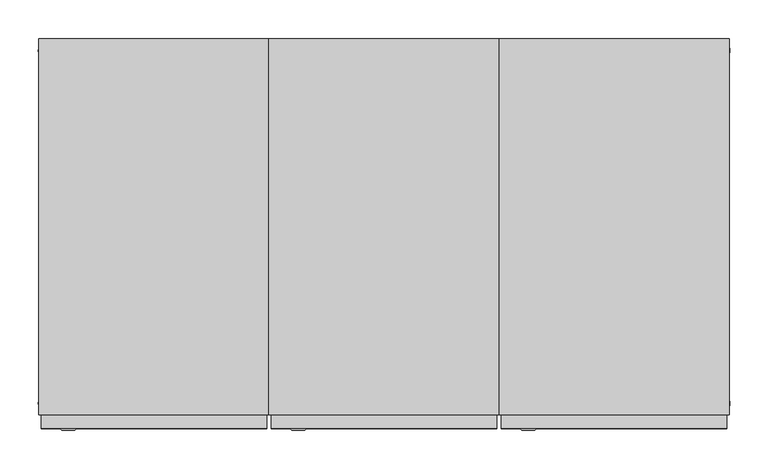
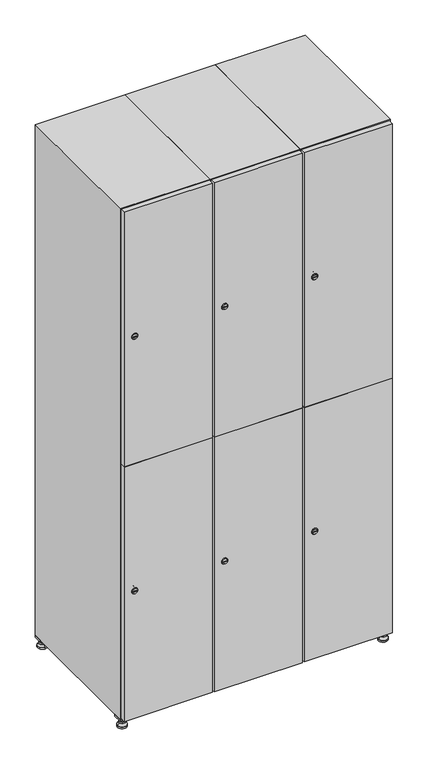
"""IFC4 building model written with IfcOpenShell, lengths in millimetres: furniture geometry."""

from ifc_helpers import new_model, si_unit, point, frame, frame_2d, origin, origin_with_axes, place, context, project, spatial, polyline, circle_curve, trimmed, segment, composite_curve, outline, extrude, faceted_brep, source, transform, mapped, element, save
from ifc_brep_helpers import plane_surface, revolved_surface, advanced_brep


def furniture_c5d8ba62(model_context):
    return source(origin(), model_context, "Body", "SolidModel", [
        extrude(outline(polyline([(700.0, 245.0), (700.0, 215.0), (670.0, 215.0), (670.0, 245.0), (700.0, 245.0)]), holes=[polyline([(698.0, 243.0), (672.0, 243.0), (672.0, 217.0), (698.0, 217.0), (698.0, 243.0)])]), frame((0.0, 0.0, 28.5), z_axis=(0.0, 0.0, 1.0), x_axis=(1.0, 0.0, 0.0)), (0.0, 0.0, 1.0), 6.5),
        extrude(outline(polyline([(670.0, -245.0), (670.0, -215.0), (700.0, -215.0), (700.0, -245.0), (670.0, -245.0)]), holes=[polyline([(672.0, -243.0), (698.0, -243.0), (698.0, -217.0), (672.0, -217.0), (672.0, -243.0)])]), frame((0.0, 0.0, 28.5), z_axis=(0.0, 0.0, 1.0), x_axis=(1.0, 0.0, 0.0)), (0.0, 0.0, 1.0), 6.5),
        extrude(outline(polyline([(-170.0, 245.0), (-170.0, 215.0), (-200.0, 215.0), (-200.0, 245.0), (-170.0, 245.0)]), holes=[polyline([(-172.0, 243.0), (-198.0, 243.0), (-198.0, 217.0), (-172.0, 217.0), (-172.0, 243.0)])]), frame((0.0, 0.0, 28.5), z_axis=(0.0, 0.0, 1.0), x_axis=(1.0, 0.0, 0.0)), (0.0, 0.0, 1.0), 6.5),
        extrude(outline(polyline([(-170.0, -215.0), (-170.0, -245.0), (-200.0, -245.0), (-200.0, -215.0), (-170.0, -215.0)]), holes=[polyline([(-198.0, -243.0), (-172.0, -243.0), (-172.0, -217.0), (-198.0, -217.0), (-198.0, -243.0)])]), frame((0.0, 0.0, 28.5), z_axis=(0.0, 0.0, 1.0), x_axis=(1.0, 0.0, 0.0)), (0.0, 0.0, 1.0), 6.5),
        extrude(outline(composite_curve([segment(trimmed(circle_curve(frame_2d((-185.0, 230.0)), 5.0), [point((-180.0, 230.0))], [point((-190.0, 230.0))], False, "CARTESIAN"), True, "CONTINUOUS"), segment(trimmed(circle_curve(frame_2d((-185.0, 230.0)), 5.0), [point((-190.0, 230.0))], [point((-180.0, 230.0))], False, "CARTESIAN"), True, "CONTINUOUS")], self_intersect=False)), frame((0.0, 0.0, 19.6), z_axis=(0.0, 0.0, 1.0), x_axis=(1.0, 0.0, 0.0)), (0.0, 0.0, 1.0), 15.4),
        extrude(outline(composite_curve([segment(trimmed(circle_curve(frame_2d((-185.0, -230.0)), 5.0), [point((-180.0, -230.0))], [point((-190.0, -230.0))], False, "CARTESIAN"), True, "CONTINUOUS"), segment(trimmed(circle_curve(frame_2d((-185.0, -230.0)), 5.0), [point((-190.0, -230.0))], [point((-180.0, -230.0))], False, "CARTESIAN"), True, "CONTINUOUS")], self_intersect=False)), frame((0.0, 0.0, 19.6), z_axis=(0.0, 0.0, 1.0), x_axis=(1.0, 0.0, 0.0)), (0.0, 0.0, 1.0), 15.4),
        extrude(outline(composite_curve([segment(trimmed(circle_curve(frame_2d((685.0, 230.0)), 5.0), [point((690.0, 230.0))], [point((680.0, 230.0))], False, "CARTESIAN"), True, "CONTINUOUS"), segment(trimmed(circle_curve(frame_2d((685.0, 230.0)), 5.0), [point((680.0, 230.0))], [point((690.0, 230.0))], False, "CARTESIAN"), True, "CONTINUOUS")], self_intersect=False)), frame((0.0, 0.0, 19.6), z_axis=(0.0, 0.0, 1.0), x_axis=(1.0, 0.0, 0.0)), (0.0, 0.0, 1.0), 15.4),
        extrude(outline(polyline([(673.4529946, 230.0), (679.2264973, 240.0), (690.7735027, 240.0), (696.5470054, 230.0), (690.7735027, 220.0), (679.2264973, 220.0), (673.4529946, 230.0)])), frame((0.0, 0.0, 13.6), z_axis=(0.0, 0.0, 1.0), x_axis=(1.0, 0.0, 0.0)), (0.0, 0.0, 1.0), 6.0),
        extrude(outline(composite_curve([segment(trimmed(circle_curve(frame_2d((685.0, -230.0)), 5.0), [point((690.0, -230.0))], [point((680.0, -230.0))], False, "CARTESIAN"), True, "CONTINUOUS"), segment(trimmed(circle_curve(frame_2d((685.0, -230.0)), 5.0), [point((680.0, -230.0))], [point((690.0, -230.0))], False, "CARTESIAN"), True, "CONTINUOUS")], self_intersect=False)), frame((0.0, 0.0, 19.6), z_axis=(0.0, 0.0, 1.0), x_axis=(1.0, 0.0, 0.0)), (0.0, 0.0, 1.0), 15.4),
        extrude(outline(polyline([(673.4529946, -230.0), (679.2264973, -220.0), (690.7735027, -220.0), (696.5470054, -230.0), (690.7735027, -240.0), (679.2264973, -240.0), (673.4529946, -230.0)])), frame((0.0, 0.0, 13.6), z_axis=(0.0, 0.0, 1.0), x_axis=(1.0, 0.0, 0.0)), (0.0, 0.0, 1.0), 6.0),
        extrude(outline(composite_curve([segment(trimmed(circle_curve(frame_2d((685.0, 230.0)), 5.0), [point((690.0, 230.0))], [point((680.0, 230.0))], False, "CARTESIAN"), True, "CONTINUOUS"), segment(trimmed(circle_curve(frame_2d((685.0, 230.0)), 5.0), [point((680.0, 230.0))], [point((690.0, 230.0))], False, "CARTESIAN"), True, "CONTINUOUS")], self_intersect=False)), frame((0.0, 0.0, 12.1), z_axis=(0.0, 0.0, 1.0), x_axis=(1.0, 0.0, 0.0)), (0.0, 0.0, 1.0), 1.5),
        extrude(outline(composite_curve([segment(trimmed(circle_curve(frame_2d((685.0, -230.0)), 5.0), [point((690.0, -230.0))], [point((680.0, -230.0))], False, "CARTESIAN"), True, "CONTINUOUS"), segment(trimmed(circle_curve(frame_2d((685.0, -230.0)), 5.0), [point((680.0, -230.0))], [point((690.0, -230.0))], False, "CARTESIAN"), True, "CONTINUOUS")], self_intersect=False)), frame((0.0, 0.0, 12.1), z_axis=(0.0, 0.0, 1.0), x_axis=(1.0, 0.0, 0.0)), (0.0, 0.0, 1.0), 1.5),
        extrude(outline(polyline([(-196.5470054, 230.0), (-190.7735027, 240.0), (-179.2264973, 240.0), (-173.4529946, 230.0), (-179.2264973, 220.0), (-190.7735027, 220.0), (-196.5470054, 230.0)])), frame((0.0, 0.0, 13.6), z_axis=(0.0, 0.0, 1.0), x_axis=(1.0, 0.0, 0.0)), (0.0, 0.0, 1.0), 6.0),
        extrude(outline(polyline([(-196.5470054, -230.0), (-190.7735027, -220.0), (-179.2264973, -220.0), (-173.4529946, -230.0), (-179.2264973, -240.0), (-190.7735027, -240.0), (-196.5470054, -230.0)])), frame((0.0, 0.0, 13.6), z_axis=(0.0, 0.0, 1.0), x_axis=(1.0, 0.0, 0.0)), (0.0, 0.0, 1.0), 6.0),
        extrude(outline(composite_curve([segment(trimmed(circle_curve(frame_2d((-185.0, 230.0)), 5.0), [point((-185.0, 235.0))], [point((-185.0, 225.0))], False, "CARTESIAN"), True, "CONTINUOUS"), segment(trimmed(circle_curve(frame_2d((-185.0, 230.0)), 5.0), [point((-185.0, 225.0))], [point((-185.0, 235.0))], False, "CARTESIAN"), True, "CONTINUOUS")], self_intersect=False)), frame((0.0, 0.0, 12.1), z_axis=(0.0, 0.0, 1.0), x_axis=(1.0, 0.0, 0.0)), (0.0, 0.0, 1.0), 1.5),
        extrude(outline(composite_curve([segment(trimmed(circle_curve(frame_2d((-185.0, -230.0)), 5.0), [point((-180.0, -230.0))], [point((-190.0, -230.0))], False, "CARTESIAN"), True, "CONTINUOUS"), segment(trimmed(circle_curve(frame_2d((-185.0, -230.0)), 5.0), [point((-190.0, -230.0))], [point((-180.0, -230.0))], False, "CARTESIAN"), True, "CONTINUOUS")], self_intersect=False)), frame((0.0, 0.0, 12.1), z_axis=(0.0, 0.0, 1.0), x_axis=(1.0, 0.0, 0.0)), (0.0, 0.0, 1.0), 1.5),
        extrude(outline(composite_curve([segment(trimmed(circle_curve(frame_2d((685.0, 230.0)), 15.75), [point((700.75, 230.0))], [point((669.25, 230.0))], False, "CARTESIAN"), True, "CONTINUOUS"), segment(trimmed(circle_curve(frame_2d((685.0, 230.0)), 15.75), [point((669.25, 230.0))], [point((700.75, 230.0))], False, "CARTESIAN"), True, "CONTINUOUS")], self_intersect=False)), origin_with_axes(), (0.0, 0.0, 1.0), 5.1),
        extrude(outline(composite_curve([segment(trimmed(circle_curve(frame_2d((685.0, -230.0)), 15.75), [point((685.0, -214.25))], [point((685.0, -245.75))], False, "CARTESIAN"), True, "CONTINUOUS"), segment(trimmed(circle_curve(frame_2d((685.0, -230.0)), 15.75), [point((685.0, -245.75))], [point((685.0, -214.25))], False, "CARTESIAN"), True, "CONTINUOUS")], self_intersect=False)), origin_with_axes(), (0.0, 0.0, 1.0), 5.1),
        extrude(outline(composite_curve([segment(trimmed(circle_curve(frame_2d((-185.0, -230.0)), 15.75), [point((-169.25, -230.0))], [point((-200.75, -230.0))], False, "CARTESIAN"), True, "CONTINUOUS"), segment(trimmed(circle_curve(frame_2d((-185.0, -230.0)), 15.75), [point((-200.75, -230.0))], [point((-169.25, -230.0))], False, "CARTESIAN"), True, "CONTINUOUS")], self_intersect=False)), origin_with_axes(), (0.0, 0.0, 1.0), 5.1),
        extrude(outline(composite_curve([segment(trimmed(circle_curve(frame_2d((-185.0, 230.0)), 15.75), [point((-169.25, 230.0))], [point((-200.75, 230.0))], False, "CARTESIAN"), True, "CONTINUOUS"), segment(trimmed(circle_curve(frame_2d((-185.0, 230.0)), 15.75), [point((-200.75, 230.0))], [point((-169.25, 230.0))], False, "CARTESIAN"), True, "CONTINUOUS")], self_intersect=False)), origin_with_axes(), (0.0, 0.0, 1.0), 5.1),
        advanced_brep(
        [(-185.0, 239.5, 12.1), (-185.0, 220.5, 12.1), (-185.0, 214.25, 5.1), (-185.0, 245.75, 5.1)],
        [
            (0, 1, circle_curve(frame((-185.0, 230.0, 12.1), z_axis=(0.0, 0.0, -1.0), x_axis=(0.0, 1.0, 0.0)), 9.5)),
            (1, 2),
            (2, 3, circle_curve(frame((-185.0, 230.0, 5.1), z_axis=(0.0, 0.0, 1.0), x_axis=(0.0, 1.0, 0.0)), 15.75)),
            (3, 0),
            (1, 0, circle_curve(frame((-185.0, 230.0, 12.1), z_axis=(0.0, 0.0, -1.0), x_axis=(0.0, -1.0, 0.0)), 9.5)),
            (3, 2, circle_curve(frame((-185.0, 230.0, 5.1), z_axis=(0.0, 0.0, 1.0), x_axis=(0.0, -1.0, 0.0)), 15.75)),
        ],
        [
            revolved_surface(polyline([(-185.0, 220.5, 12.099999999999998), (-185.0, 214.25, 5.099999999999998)]), (-185.0, 230.0, 22.74), (0.0, 0.0, -1.0)),
            revolved_surface(polyline([(-185.0, 239.5, 12.099999999999998), (-185.0, 245.75, 5.099999999999998)]), (-185.0, 230.0, 22.74), (0.0, 0.0, -1.0)),
            plane_surface(frame((-185.0, 230.0, 5.1), z_axis=(0.0, 0.0, -1.0), x_axis=(1.0, 0.0, 0.0))),
            plane_surface(frame((-185.0, 230.0, 12.1), z_axis=(0.0, 0.0, 1.0), x_axis=(1.0, 0.0, 0.0))),
        ],
        [
            (0, [[1, 2, 3, 4]]),
            (1, [[5, -4, 6, -2]]),
            (2, [[-3, -6]]),
            (3, [[-5, -1]]),
        ],
    ),
        advanced_brep(
        [(685.0, 239.5, 12.1), (685.0, 220.5, 12.1), (685.0, 214.25, 5.1), (685.0, 245.75, 5.1)],
        [
            (0, 1, circle_curve(frame((685.0, 230.0, 12.1), z_axis=(0.0, 0.0, -1.0), x_axis=(0.0, 1.0, 0.0)), 9.5)),
            (1, 2),
            (2, 3, circle_curve(frame((685.0, 230.0, 5.1), z_axis=(0.0, 0.0, 1.0), x_axis=(0.0, 1.0, 0.0)), 15.75)),
            (3, 0),
            (1, 0, circle_curve(frame((685.0, 230.0, 12.1), z_axis=(0.0, 0.0, -1.0), x_axis=(0.0, -1.0, 0.0)), 9.5)),
            (3, 2, circle_curve(frame((685.0, 230.0, 5.1), z_axis=(0.0, 0.0, 1.0), x_axis=(0.0, -1.0, 0.0)), 15.75)),
        ],
        [
            revolved_surface(polyline([(685.0, 220.5, 12.099999999999998), (685.0, 214.25, 5.099999999999998)]), (685.0, 230.0, 22.74), (0.0, 0.0, -1.0)),
            revolved_surface(polyline([(685.0, 239.5, 12.099999999999998), (685.0, 245.75, 5.099999999999998)]), (685.0, 230.0, 22.74), (0.0, 0.0, -1.0)),
            plane_surface(frame((685.0, 230.0, 5.1), z_axis=(0.0, 0.0, -1.0), x_axis=(1.0, 0.0, 0.0))),
            plane_surface(frame((685.0, 230.0, 12.1), z_axis=(0.0, 0.0, 1.0), x_axis=(1.0, 0.0, 0.0))),
        ],
        [
            (0, [[1, 2, 3, 4]]),
            (1, [[5, -4, 6, -2]]),
            (2, [[-3, -6]]),
            (3, [[-5, -1]]),
        ],
    ),
        advanced_brep(
        [(700.75, -230.0, 5.1), (669.25, -230.0, 5.1), (675.5, -230.0, 12.1), (694.5, -230.0, 12.1)],
        [
            (0, 1, circle_curve(frame((685.0, -230.0, 5.1), z_axis=(0.0, 0.0, 1.0), x_axis=(1.0, 0.0, 0.0)), 15.75)),
            (1, 2),
            (2, 3, circle_curve(frame((685.0, -230.0, 12.1), z_axis=(0.0, 0.0, -1.0), x_axis=(1.0, 0.0, 0.0)), 9.5)),
            (3, 0),
            (1, 0, circle_curve(frame((685.0, -230.0, 5.1), z_axis=(0.0, 0.0, 1.0), x_axis=(-1.0, 0.0, 0.0)), 15.75)),
            (3, 2, circle_curve(frame((685.0, -230.0, 12.1), z_axis=(0.0, 0.0, -1.0), x_axis=(-1.0, 0.0, 0.0)), 9.5)),
        ],
        [
            revolved_surface(polyline([(694.5, -230.0, 12.099999999999998), (700.75, -230.0, 5.099999999999998)]), (685.0, -230.0, 22.74), (0.0, 0.0, -1.0)),
            revolved_surface(polyline([(675.5, -230.0, 12.099999999999998), (669.25, -230.0, 5.099999999999998)]), (685.0, -230.0, 22.74), (0.0, 0.0, -1.0)),
            plane_surface(frame((685.0, -230.0, 12.1), z_axis=(0.0, 0.0, 1.0), x_axis=(0.0, 1.0, 0.0))),
            plane_surface(frame((685.0, -230.0, 5.1), z_axis=(0.0, 0.0, -1.0), x_axis=(0.0, 1.0, 0.0))),
        ],
        [
            (0, [[1, 2, 3, 4]]),
            (1, [[5, -4, 6, -2]]),
            (2, [[-3, -6]]),
            (3, [[-5, -1]]),
        ],
    ),
        advanced_brep(
        [(-169.25, -230.0, 5.1), (-200.75, -230.0, 5.1), (-194.5, -230.0, 12.1), (-175.5, -230.0, 12.1)],
        [
            (0, 1, circle_curve(frame((-185.0, -230.0, 5.1), z_axis=(0.0, 0.0, 1.0), x_axis=(1.0, 0.0, 0.0)), 15.75)),
            (1, 2),
            (2, 3, circle_curve(frame((-185.0, -230.0, 12.1), z_axis=(0.0, 0.0, -1.0), x_axis=(1.0, 0.0, 0.0)), 9.5)),
            (3, 0),
            (1, 0, circle_curve(frame((-185.0, -230.0, 5.1), z_axis=(0.0, 0.0, 1.0), x_axis=(-1.0, 0.0, 0.0)), 15.75)),
            (3, 2, circle_curve(frame((-185.0, -230.0, 12.1), z_axis=(0.0, 0.0, -1.0), x_axis=(-1.0, 0.0, 0.0)), 9.5)),
        ],
        [
            revolved_surface(polyline([(-175.5, -230.0, 12.099999999999998), (-169.25, -230.0, 5.099999999999998)]), (-185.0, -230.0, 22.74), (0.0, 0.0, -1.0)),
            revolved_surface(polyline([(-194.5, -230.0, 12.099999999999998), (-200.75, -230.0, 5.099999999999998)]), (-185.0, -230.0, 22.74), (0.0, 0.0, -1.0)),
            plane_surface(frame((-185.0, -230.0, 12.1), z_axis=(0.0, 0.0, 1.0), x_axis=(0.0, 1.0, 0.0))),
            plane_surface(frame((-185.0, -230.0, 5.1), z_axis=(0.0, 0.0, -1.0), x_axis=(0.0, 1.0, 0.0))),
        ],
        [
            (0, [[1, 2, 3, 4]]),
            (1, [[5, -4, 6, -2]]),
            (2, [[-3, -6]]),
            (3, [[-5, -1]]),
        ],
    ),
        extrude(outline(composite_curve([segment(trimmed(circle_curve(frame_2d((486.5, 411.2010534)), 7.0), [point((493.5, 411.2010534))], [point((479.5, 411.2010534))], False, "CARTESIAN"), True, "CONTINUOUS"), segment(polyline([(479.5, 411.2010534), (479.5, 439.2010534)]), True, "CONTINUOUS"), segment(trimmed(circle_curve(frame_2d((486.5, 439.2010534)), 7.0), [point((479.5, 439.2010534))], [point((493.5, 439.2010534))], False, "CARTESIAN"), True, "CONTINUOUS"), segment(polyline([(493.5, 439.2010534), (493.5, 411.2010534)]), True, "CONTINUOUS")], self_intersect=False)), frame((0.0, -245.0, 0.0), z_axis=(0.0, 1.0, 0.0), x_axis=(0.0, 0.0, 1.0)), (0.0, 0.0, 1.0), 2.0),
        advanced_brep(
        [(446.5, -265.2, 486.5), (429.5, -265.2, 486.5), (433.0, -265.2, 485.25), (433.0, -265.2, 487.75), (443.0, -265.2, 487.75), (443.0, -265.2, 485.25), (448.5, -263.0, 486.5), (427.5, -263.0, 486.5), (433.0, -263.0, 487.75), (433.0, -263.0, 485.25), (443.0, -263.0, 485.25), (443.0, -263.0, 487.75)],
        [
            (0, 1, circle_curve(frame((438.0, -265.2, 486.5), z_axis=(0.0, -1.0, 0.0), x_axis=(1.0, 0.0, 0.0)), 8.5)),
            (1, 0, circle_curve(frame((438.0, -265.2, 486.5), z_axis=(0.0, -1.0, 0.0), x_axis=(-1.0, 0.0, 0.0)), 8.5)),
            (2, 3),
            (3, 4),
            (4, 5),
            (5, 2),
            (6, 7, circle_curve(frame((438.0, -263.0, 486.5), z_axis=(0.0, 1.0, 0.0), x_axis=(-1.0, 0.0, 0.0)), 10.5)),
            (7, 6, circle_curve(frame((438.0, -263.0, 486.5), z_axis=(0.0, 1.0, 0.0), x_axis=(1.0, 0.0, 0.0)), 10.5)),
            (8, 9),
            (9, 10),
            (10, 11),
            (11, 8),
            (0, 6),
            (7, 1),
            (8, 3),
            (2, 9),
            (11, 4),
            (10, 5),
        ],
        [
            plane_surface(frame((438.0, -265.2, 486.5), z_axis=(0.0, -1.0, 0.0), x_axis=(0.0, 0.0, 1.0))),
            plane_surface(frame((438.0, -263.0, 486.5), z_axis=(0.0, 1.0, 0.0), x_axis=(0.0, 0.0, 1.0))),
            revolved_surface(polyline([(446.5, -265.2, 486.5), (448.5, -263.0, 486.5)]), (438.0, -274.55, 486.5), (0.0, 1.0, 0.0)),
            revolved_surface(polyline([(429.5, -265.2, 486.5), (427.5, -263.0, 486.5)]), (438.0, -274.55, 486.5), (0.0, 1.0, 0.0)),
            plane_surface(frame((433.0, -263.0, 485.25), z_axis=(1.0, 0.0, 0.0), x_axis=(0.0, -1.0, 0.0))),
            plane_surface(frame((433.0, -263.0, 487.75), z_axis=(0.0, 0.0, -1.0), x_axis=(0.0, -1.0, 0.0))),
            plane_surface(frame((443.0, -263.0, 487.75), z_axis=(-1.0, 0.0, 0.0), x_axis=(0.0, -1.0, 0.0))),
            plane_surface(frame((443.0, -263.0, 485.25), z_axis=(0.0, 0.0, 1.0), x_axis=(0.0, -1.0, 0.0))),
        ],
        [
            (0, [[1, 2], [3, 4, 5, 6]]),
            (1, [[7, 8], [9, 10, 11, 12]]),
            (2, [[-1, 13, -8, 14]]),
            (3, [[-2, -14, -7, -13]]),
            (4, [[15, -3, 16, -9]]),
            (5, [[-15, -12, 17, -4]]),
            (6, [[-17, -11, 18, -5]]),
            (7, [[-16, -6, -18, -10]]),
        ],
    ),
        extrude(outline(composite_curve([segment(trimmed(circle_curve(frame_2d((1383.5, 411.2010534)), 7.0), [point((1390.5, 411.2010534))], [point((1376.5, 411.2010534))], False, "CARTESIAN"), True, "CONTINUOUS"), segment(polyline([(1376.5, 411.2010534), (1376.5, 439.2010534)]), True, "CONTINUOUS"), segment(trimmed(circle_curve(frame_2d((1383.5, 439.2010534)), 7.0), [point((1376.5, 439.2010534))], [point((1390.5, 439.2010534))], False, "CARTESIAN"), True, "CONTINUOUS"), segment(polyline([(1390.5, 439.2010534), (1390.5, 411.2010534)]), True, "CONTINUOUS")], self_intersect=False)), frame((0.0, -245.0, 0.0), z_axis=(0.0, 1.0, 0.0), x_axis=(0.0, 0.0, 1.0)), (0.0, 0.0, 1.0), 2.0),
        advanced_brep(
        [(446.5, -265.2, 1383.5), (429.5, -265.2, 1383.5), (433.0, -265.2, 1382.25), (433.0, -265.2, 1384.75), (443.0, -265.2, 1384.75), (443.0, -265.2, 1382.25), (448.5, -263.0, 1383.5), (427.5, -263.0, 1383.5), (433.0, -263.0, 1384.75), (433.0, -263.0, 1382.25), (443.0, -263.0, 1382.25), (443.0, -263.0, 1384.75)],
        [
            (0, 1, circle_curve(frame((438.0, -265.2, 1383.5), z_axis=(0.0, -1.0, 0.0), x_axis=(1.0, 0.0, 0.0)), 8.5)),
            (1, 0, circle_curve(frame((438.0, -265.2, 1383.5), z_axis=(0.0, -1.0, 0.0), x_axis=(-1.0, 0.0, 0.0)), 8.5)),
            (2, 3),
            (3, 4),
            (4, 5),
            (5, 2),
            (6, 7, circle_curve(frame((438.0, -263.0, 1383.5), z_axis=(0.0, 1.0, 0.0), x_axis=(-1.0, 0.0, 0.0)), 10.5)),
            (7, 6, circle_curve(frame((438.0, -263.0, 1383.5), z_axis=(0.0, 1.0, 0.0), x_axis=(1.0, 0.0, 0.0)), 10.5)),
            (8, 9),
            (9, 10),
            (10, 11),
            (11, 8),
            (0, 6),
            (7, 1),
            (8, 3),
            (2, 9),
            (11, 4),
            (10, 5),
        ],
        [
            plane_surface(frame((438.0, -265.2, 1383.5), z_axis=(0.0, -1.0, 0.0), x_axis=(0.0, 0.0, 1.0))),
            plane_surface(frame((438.0, -263.0, 1383.5), z_axis=(0.0, 1.0, 0.0), x_axis=(0.0, 0.0, 1.0))),
            revolved_surface(polyline([(446.5, -265.2, 1383.5), (448.5, -263.0, 1383.5)]), (438.0, -274.55, 1383.5), (0.0, 1.0, 0.0)),
            revolved_surface(polyline([(429.5, -265.2, 1383.5), (427.5, -263.0, 1383.5)]), (438.0, -274.55, 1383.5), (0.0, 1.0, 0.0)),
            plane_surface(frame((433.0, -263.0, 1382.25), z_axis=(1.0, 0.0, 0.0), x_axis=(0.0, -1.0, 0.0))),
            plane_surface(frame((433.0, -263.0, 1384.75), z_axis=(0.0, 0.0, -1.0), x_axis=(0.0, -1.0, 0.0))),
            plane_surface(frame((443.0, -263.0, 1384.75), z_axis=(-1.0, 0.0, 0.0), x_axis=(0.0, -1.0, 0.0))),
            plane_surface(frame((443.0, -263.0, 1382.25), z_axis=(0.0, 0.0, 1.0), x_axis=(0.0, -1.0, 0.0))),
        ],
        [
            (0, [[1, 2], [3, 4, 5, 6]]),
            (1, [[7, 8], [9, 10, 11, 12]]),
            (2, [[-1, 13, -8, 14]]),
            (3, [[-2, -14, -7, -13]]),
            (4, [[15, -3, 16, -9]]),
            (5, [[-15, -12, 17, -4]]),
            (6, [[-17, -11, 18, -5]]),
            (7, [[-16, -6, -18, -10]]),
        ],
    ),
        extrude(outline(polyline([(403.0, -263.0), (403.0, -245.0), (697.0, -245.0), (697.0, -263.0), (403.0, -263.0)])), frame((0.0, 0.0, 38.0), z_axis=(0.0, 0.0, 1.0), x_axis=(1.0, 0.0, 0.0)), (0.0, 0.0, 1.0), 896.5),
        extrude(outline(polyline([(697.0, -245.0), (697.0, -263.0), (403.0, -263.0), (403.0, -245.0), (697.0, -245.0)])), frame((0.0, 0.0, 935.5), z_axis=(0.0, 0.0, 1.0), x_axis=(1.0, 0.0, 0.0)), (0.0, 0.0, 1.0), 896.5),
        extrude(outline(polyline([(679.6, 242.0), (679.6, -227.0), (420.4, -227.0), (420.4, 242.0), (679.6, 242.0)])), frame((0.0, 0.0, 924.8), z_axis=(0.0, 0.0, 1.0), x_axis=(1.0, 0.0, 0.0)), (0.0, 0.0, 1.0), 20.4),
        faceted_brep([(700.0, -245.0, 35.0), (700.0, -245.0, 1835.0), (400.0, -245.0, 1835.0), (400.0, -245.0, 35.0), (679.6, -245.0, 1804.8), (679.6, -245.0, 65.2), (420.4, -245.0, 65.2), (420.4, -245.0, 1804.8), (700.0, 245.0, 35.0), (400.0, 245.0, 35.0), (700.0, 245.0, 1835.0), (400.0, 245.0, 1835.0), (679.6, 242.0, 1804.8), (679.6, 242.0, 65.2), (400.0, 245.0, 1804.8), (420.4, 242.0, 1804.8), (420.4, 242.0, 65.2)], [[[0, 1, 2, 3], [4, 5, 6, 7]], [[8, 0, 3, 9]], [[1, 0, 8, 10]], [[1, 10, 11, 2]], [[4, 12, 13, 5]], [[9, 3, 2, 11, 14]], [[10, 8, 9, 14, 11]], [[12, 15, 16, 13]], [[15, 7, 6, 16]], [[4, 7, 15, 12]], [[6, 5, 13, 16]]]),
        extrude(outline(composite_curve([segment(trimmed(circle_curve(frame_2d((486.5, 111.2010534)), 7.0), [point((493.5, 111.2010534))], [point((479.5, 111.2010534))], False, "CARTESIAN"), True, "CONTINUOUS"), segment(polyline([(479.5, 111.2010534), (479.5, 139.2010534)]), True, "CONTINUOUS"), segment(trimmed(circle_curve(frame_2d((486.5, 139.2010534)), 7.0), [point((479.5, 139.2010534))], [point((493.5, 139.2010534))], False, "CARTESIAN"), True, "CONTINUOUS"), segment(polyline([(493.5, 139.2010534), (493.5, 111.2010534)]), True, "CONTINUOUS")], self_intersect=False)), frame((0.0, -245.0, 0.0), z_axis=(0.0, 1.0, 0.0), x_axis=(0.0, 0.0, 1.0)), (0.0, 0.0, 1.0), 2.0),
        advanced_brep(
        [(146.5, -265.2, 486.5), (129.5, -265.2, 486.5), (133.0, -265.2, 485.25), (133.0, -265.2, 487.75), (143.0, -265.2, 487.75), (143.0, -265.2, 485.25), (148.5, -263.0, 486.5), (127.5, -263.0, 486.5), (133.0, -263.0, 487.75), (133.0, -263.0, 485.25), (143.0, -263.0, 485.25), (143.0, -263.0, 487.75)],
        [
            (0, 1, circle_curve(frame((138.0, -265.2, 486.5), z_axis=(0.0, -1.0, 0.0), x_axis=(1.0, 0.0, 0.0)), 8.5)),
            (1, 0, circle_curve(frame((138.0, -265.2, 486.5), z_axis=(0.0, -1.0, 0.0), x_axis=(-1.0, 0.0, 0.0)), 8.5)),
            (2, 3),
            (3, 4),
            (4, 5),
            (5, 2),
            (6, 7, circle_curve(frame((138.0, -263.0, 486.5), z_axis=(0.0, 1.0, 0.0), x_axis=(-1.0, 0.0, 0.0)), 10.5)),
            (7, 6, circle_curve(frame((138.0, -263.0, 486.5), z_axis=(0.0, 1.0, 0.0), x_axis=(1.0, 0.0, 0.0)), 10.5)),
            (8, 9),
            (9, 10),
            (10, 11),
            (11, 8),
            (0, 6),
            (7, 1),
            (8, 3),
            (2, 9),
            (11, 4),
            (10, 5),
        ],
        [
            plane_surface(frame((138.0, -265.2, 486.5), z_axis=(0.0, -1.0, 0.0), x_axis=(0.0, 0.0, 1.0))),
            plane_surface(frame((138.0, -263.0, 486.5), z_axis=(0.0, 1.0, 0.0), x_axis=(0.0, 0.0, 1.0))),
            revolved_surface(polyline([(146.5, -265.2, 486.5), (148.5, -263.0, 486.5)]), (138.0, -274.55, 486.5), (0.0, 1.0, 0.0)),
            revolved_surface(polyline([(129.5, -265.2, 486.5), (127.5, -263.0, 486.5)]), (138.0, -274.55, 486.5), (0.0, 1.0, 0.0)),
            plane_surface(frame((133.0, -263.0, 485.25), z_axis=(1.0, 0.0, 0.0), x_axis=(0.0, -1.0, 0.0))),
            plane_surface(frame((133.0, -263.0, 487.75), z_axis=(0.0, 0.0, -1.0), x_axis=(0.0, -1.0, 0.0))),
            plane_surface(frame((143.0, -263.0, 487.75), z_axis=(-1.0, 0.0, 0.0), x_axis=(0.0, -1.0, 0.0))),
            plane_surface(frame((143.0, -263.0, 485.25), z_axis=(0.0, 0.0, 1.0), x_axis=(0.0, -1.0, 0.0))),
        ],
        [
            (0, [[1, 2], [3, 4, 5, 6]]),
            (1, [[7, 8], [9, 10, 11, 12]]),
            (2, [[-1, 13, -8, 14]]),
            (3, [[-2, -14, -7, -13]]),
            (4, [[15, -3, 16, -9]]),
            (5, [[-15, -12, 17, -4]]),
            (6, [[-17, -11, 18, -5]]),
            (7, [[-16, -6, -18, -10]]),
        ],
    ),
        extrude(outline(composite_curve([segment(trimmed(circle_curve(frame_2d((1383.5, 111.2010534)), 7.0), [point((1390.5, 111.2010534))], [point((1376.5, 111.2010534))], False, "CARTESIAN"), True, "CONTINUOUS"), segment(polyline([(1376.5, 111.2010534), (1376.5, 139.2010534)]), True, "CONTINUOUS"), segment(trimmed(circle_curve(frame_2d((1383.5, 139.2010534)), 7.0), [point((1376.5, 139.2010534))], [point((1390.5, 139.2010534))], False, "CARTESIAN"), True, "CONTINUOUS"), segment(polyline([(1390.5, 139.2010534), (1390.5, 111.2010534)]), True, "CONTINUOUS")], self_intersect=False)), frame((0.0, -245.0, 0.0), z_axis=(0.0, 1.0, 0.0), x_axis=(0.0, 0.0, 1.0)), (0.0, 0.0, 1.0), 2.0),
        advanced_brep(
        [(146.5, -265.2, 1383.5), (129.5, -265.2, 1383.5), (133.0, -265.2, 1382.25), (133.0, -265.2, 1384.75), (143.0, -265.2, 1384.75), (143.0, -265.2, 1382.25), (148.5, -263.0, 1383.5), (127.5, -263.0, 1383.5), (133.0, -263.0, 1384.75), (133.0, -263.0, 1382.25), (143.0, -263.0, 1382.25), (143.0, -263.0, 1384.75)],
        [
            (0, 1, circle_curve(frame((138.0, -265.2, 1383.5), z_axis=(0.0, -1.0, 0.0), x_axis=(1.0, 0.0, 0.0)), 8.5)),
            (1, 0, circle_curve(frame((138.0, -265.2, 1383.5), z_axis=(0.0, -1.0, 0.0), x_axis=(-1.0, 0.0, 0.0)), 8.5)),
            (2, 3),
            (3, 4),
            (4, 5),
            (5, 2),
            (6, 7, circle_curve(frame((138.0, -263.0, 1383.5), z_axis=(0.0, 1.0, 0.0), x_axis=(-1.0, 0.0, 0.0)), 10.5)),
            (7, 6, circle_curve(frame((138.0, -263.0, 1383.5), z_axis=(0.0, 1.0, 0.0), x_axis=(1.0, 0.0, 0.0)), 10.5)),
            (8, 9),
            (9, 10),
            (10, 11),
            (11, 8),
            (0, 6),
            (7, 1),
            (8, 3),
            (2, 9),
            (11, 4),
            (10, 5),
        ],
        [
            plane_surface(frame((138.0, -265.2, 1383.5), z_axis=(0.0, -1.0, 0.0), x_axis=(0.0, 0.0, 1.0))),
            plane_surface(frame((138.0, -263.0, 1383.5), z_axis=(0.0, 1.0, 0.0), x_axis=(0.0, 0.0, 1.0))),
            revolved_surface(polyline([(146.5, -265.2, 1383.5), (148.5, -263.0, 1383.5)]), (138.0, -274.55, 1383.5), (0.0, 1.0, 0.0)),
            revolved_surface(polyline([(129.5, -265.2, 1383.5), (127.5, -263.0, 1383.5)]), (138.0, -274.55, 1383.5), (0.0, 1.0, 0.0)),
            plane_surface(frame((133.0, -263.0, 1382.25), z_axis=(1.0, 0.0, 0.0), x_axis=(0.0, -1.0, 0.0))),
            plane_surface(frame((133.0, -263.0, 1384.75), z_axis=(0.0, 0.0, -1.0), x_axis=(0.0, -1.0, 0.0))),
            plane_surface(frame((143.0, -263.0, 1384.75), z_axis=(-1.0, 0.0, 0.0), x_axis=(0.0, -1.0, 0.0))),
            plane_surface(frame((143.0, -263.0, 1382.25), z_axis=(0.0, 0.0, 1.0), x_axis=(0.0, -1.0, 0.0))),
        ],
        [
            (0, [[1, 2], [3, 4, 5, 6]]),
            (1, [[7, 8], [9, 10, 11, 12]]),
            (2, [[-1, 13, -8, 14]]),
            (3, [[-2, -14, -7, -13]]),
            (4, [[15, -3, 16, -9]]),
            (5, [[-15, -12, 17, -4]]),
            (6, [[-17, -11, 18, -5]]),
            (7, [[-16, -6, -18, -10]]),
        ],
    ),
        extrude(outline(polyline([(103.0, -263.0), (103.0, -245.0), (397.0, -245.0), (397.0, -263.0), (103.0, -263.0)])), frame((0.0, 0.0, 38.0), z_axis=(0.0, 0.0, 1.0), x_axis=(1.0, 0.0, 0.0)), (0.0, 0.0, 1.0), 896.5),
        extrude(outline(polyline([(397.0, -245.0), (397.0, -263.0), (103.0, -263.0), (103.0, -245.0), (397.0, -245.0)])), frame((0.0, 0.0, 935.5), z_axis=(0.0, 0.0, 1.0), x_axis=(1.0, 0.0, 0.0)), (0.0, 0.0, 1.0), 896.5),
        extrude(outline(polyline([(379.6, 242.0), (379.6, -227.0), (120.4, -227.0), (120.4, 242.0), (379.6, 242.0)])), frame((0.0, 0.0, 924.8), z_axis=(0.0, 0.0, 1.0), x_axis=(1.0, 0.0, 0.0)), (0.0, 0.0, 1.0), 20.4),
        faceted_brep([(400.0, -245.0, 35.0), (400.0, -245.0, 1835.0), (100.0, -245.0, 1835.0), (100.0, -245.0, 35.0), (379.6, -245.0, 1804.8), (379.6, -245.0, 65.2), (120.4, -245.0, 65.2), (120.4, -245.0, 1804.8), (400.0, 245.0, 35.0), (100.0, 245.0, 35.0), (400.0, 245.0, 1835.0), (100.0, 245.0, 1835.0), (379.6, 242.0, 1804.8), (379.6, 242.0, 65.2), (100.0, 245.0, 1804.8), (120.4, 242.0, 1804.8), (120.4, 242.0, 65.2)], [[[0, 1, 2, 3], [4, 5, 6, 7]], [[8, 0, 3, 9]], [[1, 0, 8, 10]], [[1, 10, 11, 2]], [[4, 12, 13, 5]], [[9, 3, 2, 11, 14]], [[10, 8, 9, 14, 11]], [[12, 15, 16, 13]], [[15, 7, 6, 16]], [[4, 7, 15, 12]], [[6, 5, 13, 16]]]),
        extrude(outline(composite_curve([segment(trimmed(circle_curve(frame_2d((486.5, -188.7989466)), 7.0), [point((493.5, -188.7989466))], [point((479.5, -188.7989466))], False, "CARTESIAN"), True, "CONTINUOUS"), segment(polyline([(479.5, -188.7989466), (479.5, -160.7989466)]), True, "CONTINUOUS"), segment(trimmed(circle_curve(frame_2d((486.5, -160.7989466)), 7.0), [point((479.5, -160.7989466))], [point((493.5, -160.7989466))], False, "CARTESIAN"), True, "CONTINUOUS"), segment(polyline([(493.5, -160.7989466), (493.5, -188.7989466)]), True, "CONTINUOUS")], self_intersect=False)), frame((0.0, -245.0, 0.0), z_axis=(0.0, 1.0, 0.0), x_axis=(0.0, 0.0, 1.0)), (0.0, 0.0, 1.0), 2.0),
        advanced_brep(
        [(-153.5, -265.2, 486.5), (-170.5, -265.2, 486.5), (-167.0, -265.2, 485.25), (-167.0, -265.2, 487.75), (-157.0, -265.2, 487.75), (-157.0, -265.2, 485.25), (-151.5, -263.0, 486.5), (-172.5, -263.0, 486.5), (-167.0, -263.0, 487.75), (-167.0, -263.0, 485.25), (-157.0, -263.0, 485.25), (-157.0, -263.0, 487.75)],
        [
            (0, 1, circle_curve(frame((-162.0, -265.2, 486.5), z_axis=(0.0, -1.0, 0.0), x_axis=(1.0, 0.0, 0.0)), 8.5)),
            (1, 0, circle_curve(frame((-162.0, -265.2, 486.5), z_axis=(0.0, -1.0, 0.0), x_axis=(-1.0, 0.0, 0.0)), 8.5)),
            (2, 3),
            (3, 4),
            (4, 5),
            (5, 2),
            (6, 7, circle_curve(frame((-162.0, -263.0, 486.5), z_axis=(0.0, 1.0, 0.0), x_axis=(-1.0, 0.0, 0.0)), 10.5)),
            (7, 6, circle_curve(frame((-162.0, -263.0, 486.5), z_axis=(0.0, 1.0, 0.0), x_axis=(1.0, 0.0, 0.0)), 10.5)),
            (8, 9),
            (9, 10),
            (10, 11),
            (11, 8),
            (0, 6),
            (7, 1),
            (8, 3),
            (2, 9),
            (11, 4),
            (10, 5),
        ],
        [
            plane_surface(frame((-162.0, -265.2, 486.5), z_axis=(0.0, -1.0, 0.0), x_axis=(0.0, 0.0, 1.0))),
            plane_surface(frame((-162.0, -263.0, 486.5), z_axis=(0.0, 1.0, 0.0), x_axis=(0.0, 0.0, 1.0))),
            revolved_surface(polyline([(-153.5, -265.2, 486.5), (-151.5, -263.0, 486.5)]), (-162.0, -274.55, 486.5), (0.0, 1.0, 0.0)),
            revolved_surface(polyline([(-170.5, -265.2, 486.5), (-172.5, -263.0, 486.5)]), (-162.0, -274.55, 486.5), (0.0, 1.0, 0.0)),
            plane_surface(frame((-167.0, -263.0, 485.25), z_axis=(1.0, 0.0, 0.0), x_axis=(0.0, -1.0, 0.0))),
            plane_surface(frame((-167.0, -263.0, 487.75), z_axis=(0.0, 0.0, -1.0), x_axis=(0.0, -1.0, 0.0))),
            plane_surface(frame((-157.0, -263.0, 487.75), z_axis=(-1.0, 0.0, 0.0), x_axis=(0.0, -1.0, 0.0))),
            plane_surface(frame((-157.0, -263.0, 485.25), z_axis=(0.0, 0.0, 1.0), x_axis=(0.0, -1.0, 0.0))),
        ],
        [
            (0, [[1, 2], [3, 4, 5, 6]]),
            (1, [[7, 8], [9, 10, 11, 12]]),
            (2, [[-1, 13, -8, 14]]),
            (3, [[-2, -14, -7, -13]]),
            (4, [[15, -3, 16, -9]]),
            (5, [[-15, -12, 17, -4]]),
            (6, [[-17, -11, 18, -5]]),
            (7, [[-16, -6, -18, -10]]),
        ],
    ),
        extrude(outline(composite_curve([segment(trimmed(circle_curve(frame_2d((1383.5, -188.7989466)), 7.0), [point((1390.5, -188.7989466))], [point((1376.5, -188.7989466))], False, "CARTESIAN"), True, "CONTINUOUS"), segment(polyline([(1376.5, -188.7989466), (1376.5, -160.7989466)]), True, "CONTINUOUS"), segment(trimmed(circle_curve(frame_2d((1383.5, -160.7989466)), 7.0), [point((1376.5, -160.7989466))], [point((1390.5, -160.7989466))], False, "CARTESIAN"), True, "CONTINUOUS"), segment(polyline([(1390.5, -160.7989466), (1390.5, -188.7989466)]), True, "CONTINUOUS")], self_intersect=False)), frame((0.0, -245.0, 0.0), z_axis=(0.0, 1.0, 0.0), x_axis=(0.0, 0.0, 1.0)), (0.0, 0.0, 1.0), 2.0),
        advanced_brep(
        [(-153.5, -265.2, 1383.5), (-170.5, -265.2, 1383.5), (-167.0, -265.2, 1382.25), (-167.0, -265.2, 1384.75), (-157.0, -265.2, 1384.75), (-157.0, -265.2, 1382.25), (-151.5, -263.0, 1383.5), (-172.5, -263.0, 1383.5), (-167.0, -263.0, 1384.75), (-167.0, -263.0, 1382.25), (-157.0, -263.0, 1382.25), (-157.0, -263.0, 1384.75)],
        [
            (0, 1, circle_curve(frame((-162.0, -265.2, 1383.5), z_axis=(0.0, -1.0, 0.0), x_axis=(1.0, 0.0, 0.0)), 8.5)),
            (1, 0, circle_curve(frame((-162.0, -265.2, 1383.5), z_axis=(0.0, -1.0, 0.0), x_axis=(-1.0, 0.0, 0.0)), 8.5)),
            (2, 3),
            (3, 4),
            (4, 5),
            (5, 2),
            (6, 7, circle_curve(frame((-162.0, -263.0, 1383.5), z_axis=(0.0, 1.0, 0.0), x_axis=(-1.0, 0.0, 0.0)), 10.5)),
            (7, 6, circle_curve(frame((-162.0, -263.0, 1383.5), z_axis=(0.0, 1.0, 0.0), x_axis=(1.0, 0.0, 0.0)), 10.5)),
            (8, 9),
            (9, 10),
            (10, 11),
            (11, 8),
            (0, 6),
            (7, 1),
            (8, 3),
            (2, 9),
            (11, 4),
            (10, 5),
        ],
        [
            plane_surface(frame((-162.0, -265.2, 1383.5), z_axis=(0.0, -1.0, 0.0), x_axis=(0.0, 0.0, 1.0))),
            plane_surface(frame((-162.0, -263.0, 1383.5), z_axis=(0.0, 1.0, 0.0), x_axis=(0.0, 0.0, 1.0))),
            revolved_surface(polyline([(-153.5, -265.2, 1383.5), (-151.5, -263.0, 1383.5)]), (-162.0, -274.55, 1383.5), (0.0, 1.0, 0.0)),
            revolved_surface(polyline([(-170.5, -265.2, 1383.5), (-172.5, -263.0, 1383.5)]), (-162.0, -274.55, 1383.5), (0.0, 1.0, 0.0)),
            plane_surface(frame((-167.0, -263.0, 1382.25), z_axis=(1.0, 0.0, 0.0), x_axis=(0.0, -1.0, 0.0))),
            plane_surface(frame((-167.0, -263.0, 1384.75), z_axis=(0.0, 0.0, -1.0), x_axis=(0.0, -1.0, 0.0))),
            plane_surface(frame((-157.0, -263.0, 1384.75), z_axis=(-1.0, 0.0, 0.0), x_axis=(0.0, -1.0, 0.0))),
            plane_surface(frame((-157.0, -263.0, 1382.25), z_axis=(0.0, 0.0, 1.0), x_axis=(0.0, -1.0, 0.0))),
        ],
        [
            (0, [[1, 2], [3, 4, 5, 6]]),
            (1, [[7, 8], [9, 10, 11, 12]]),
            (2, [[-1, 13, -8, 14]]),
            (3, [[-2, -14, -7, -13]]),
            (4, [[15, -3, 16, -9]]),
            (5, [[-15, -12, 17, -4]]),
            (6, [[-17, -11, 18, -5]]),
            (7, [[-16, -6, -18, -10]]),
        ],
    ),
        extrude(outline(polyline([(-197.0, -263.0), (-197.0, -245.0), (97.0, -245.0), (97.0, -263.0), (-197.0, -263.0)])), frame((0.0, 0.0, 38.0), z_axis=(0.0, 0.0, 1.0), x_axis=(1.0, 0.0, 0.0)), (0.0, 0.0, 1.0), 896.5),
        extrude(outline(polyline([(97.0, -245.0), (97.0, -263.0), (-197.0, -263.0), (-197.0, -245.0), (97.0, -245.0)])), frame((0.0, 0.0, 935.5), z_axis=(0.0, 0.0, 1.0), x_axis=(1.0, 0.0, 0.0)), (0.0, 0.0, 1.0), 896.5),
        extrude(outline(polyline([(79.6, 242.0), (79.6, -227.0), (-179.6, -227.0), (-179.6, 242.0), (79.6, 242.0)])), frame((0.0, 0.0, 924.8), z_axis=(0.0, 0.0, 1.0), x_axis=(1.0, 0.0, 0.0)), (0.0, 0.0, 1.0), 20.4),
        faceted_brep([(100.0, -245.0, 35.0), (100.0, -245.0, 1835.0), (-200.0, -245.0, 1835.0), (-200.0, -245.0, 35.0), (79.6, -245.0, 1804.8), (79.6, -245.0, 65.2), (-179.6, -245.0, 65.2), (-179.6, -245.0, 1804.8), (100.0, 245.0, 35.0), (-200.0, 245.0, 35.0), (100.0, 245.0, 1835.0), (-200.0, 245.0, 1835.0), (79.6, 242.0, 1804.8), (79.6, 242.0, 65.2), (-200.0, 245.0, 1804.8), (-179.6, 242.0, 1804.8), (-179.6, 242.0, 65.2)], [[[0, 1, 2, 3], [4, 5, 6, 7]], [[8, 0, 3, 9]], [[1, 0, 8, 10]], [[1, 10, 11, 2]], [[4, 12, 13, 5]], [[9, 3, 2, 11, 14]], [[10, 8, 9, 14, 11]], [[12, 15, 16, 13]], [[15, 7, 6, 16]], [[4, 7, 15, 12]], [[6, 5, 13, 16]]]),
    ])


if __name__ == "__main__":
    model = new_model("IFC4")
    model_context = context("Model", 3, world=origin())
    ifc_project = project(units=[si_unit("LENGTHUNIT", "METRE", prefix="MILLI")], contexts=[model_context])
    site = spatial("IfcSite", under=ifc_project)
    building = spatial("IfcBuilding", under=site)
    placement = place(None, origin())
    furniture_shape = furniture_c5d8ba62(model_context)
    element("IfcFurniture", 1, at=placement, inside=building, context=model_context, shape_type="MappedRepresentation", body=[
        mapped(furniture_shape, transform((0.0, 0.0, 0.0), x_axis=(1.0, 0.0, 0.0), y_axis=(0.0, 1.0, 0.0), z_axis=(0.0, 0.0, 1.0))),
    ])
    save(model, "model.ifc")
